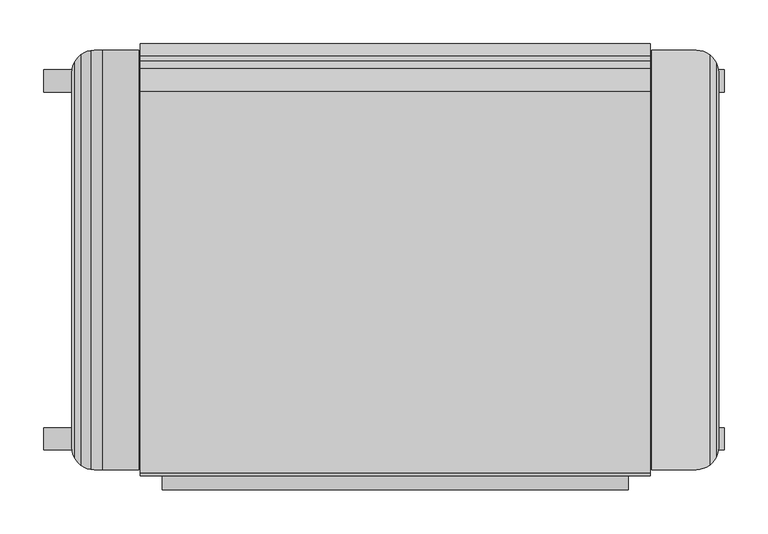
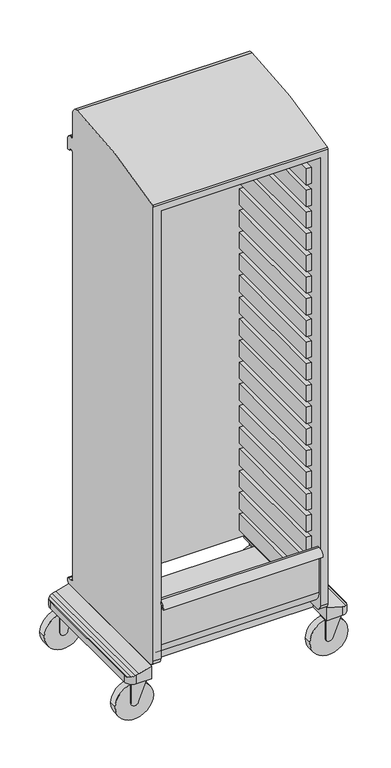
"""IFC4 building model written with IfcOpenShell, lengths in millimetres: furniture geometry."""

from ifc_helpers import new_model, si_unit, point, frame, frame_2d, origin, place, context, project, spatial, polyline, circle_curve, ellipse_curve, trimmed, segment, composite_curve, outline, extrude, source, transform, mapped, element, save
from ifc_brep_helpers import plane_surface, cylinder_surface, revolved_surface, advanced_brep


def furniture_57446897(model_context):
    return source(origin(), model_context, "Body", "SolidModel", [
        extrude(outline(polyline([(-249.2375, -195.2625), (-265.1125, -195.2625), (-265.1125, 192.0875), (-249.2375, 192.0875), (-249.2375, -195.2625)])), frame((0.0, 0.0, 428.625), z_axis=(0.0, 0.0, 1.0), x_axis=(1.0, 0.0, 0.0)), (0.0, 0.0, 1.0), 57.15),
        extrude(outline(polyline([(265.1125, -195.2625), (249.2375, -195.2625), (249.2375, 192.0875), (265.1125, 192.0875), (265.1125, -195.2625)])), frame((0.0, 0.0, 428.625), z_axis=(0.0, 0.0, 1.0), x_axis=(1.0, 0.0, 0.0)), (0.0, 0.0, 1.0), 57.15),
        extrude(outline(polyline([(-249.2375, -195.2625), (-265.1125, -195.2625), (-265.1125, 192.0875), (-249.2375, 192.0875), (-249.2375, -195.2625)])), frame((0.0, 0.0, 352.425), z_axis=(0.0, 0.0, 1.0), x_axis=(1.0, 0.0, 0.0)), (0.0, 0.0, 1.0), 57.15),
        extrude(outline(polyline([(265.1125, -195.2625), (249.2375, -195.2625), (249.2375, 192.0875), (265.1125, 192.0875), (265.1125, -195.2625)])), frame((0.0, 0.0, 352.425), z_axis=(0.0, 0.0, 1.0), x_axis=(1.0, 0.0, 0.0)), (0.0, 0.0, 1.0), 57.15),
        extrude(outline(polyline([(-249.2375, -195.2625), (-265.1125, -195.2625), (-265.1125, 192.0875), (-249.2375, 192.0875), (-249.2375, -195.2625)])), frame((0.0, 0.0, 276.225), z_axis=(0.0, 0.0, 1.0), x_axis=(1.0, 0.0, 0.0)), (0.0, 0.0, 1.0), 57.15),
        extrude(outline(polyline([(265.1125, -195.2625), (249.2375, -195.2625), (249.2375, 192.0875), (265.1125, 192.0875), (265.1125, -195.2625)])), frame((0.0, 0.0, 276.225), z_axis=(0.0, 0.0, 1.0), x_axis=(1.0, 0.0, 0.0)), (0.0, 0.0, 1.0), 57.15),
        extrude(outline(polyline([(-249.2375, -195.2625), (-265.1125, -195.2625), (-265.1125, 192.0875), (-249.2375, 192.0875), (-249.2375, -195.2625)])), frame((0.0, 0.0, 200.025), z_axis=(0.0, 0.0, 1.0), x_axis=(1.0, 0.0, 0.0)), (0.0, 0.0, 1.0), 57.15),
        extrude(outline(polyline([(265.1125, -195.2625), (249.2375, -195.2625), (249.2375, 192.0875), (265.1125, 192.0875), (265.1125, -195.2625)])), frame((0.0, 0.0, 200.025), z_axis=(0.0, 0.0, 1.0), x_axis=(1.0, 0.0, 0.0)), (0.0, 0.0, 1.0), 57.15),
        extrude(outline(polyline([(-249.2375, -195.2625), (-265.1125, -195.2625), (-265.1125, 192.0875), (-249.2375, 192.0875), (-249.2375, -195.2625)])), frame((0.0, 0.0, 733.425), z_axis=(0.0, 0.0, 1.0), x_axis=(1.0, 0.0, 0.0)), (0.0, 0.0, 1.0), 57.15),
        extrude(outline(polyline([(265.1125, -195.2625), (249.2375, -195.2625), (249.2375, 192.0875), (265.1125, 192.0875), (265.1125, -195.2625)])), frame((0.0, 0.0, 733.425), z_axis=(0.0, 0.0, 1.0), x_axis=(1.0, 0.0, 0.0)), (0.0, 0.0, 1.0), 57.15),
        extrude(outline(polyline([(-249.2375, -195.2625), (-265.1125, -195.2625), (-265.1125, 192.0875), (-249.2375, 192.0875), (-249.2375, -195.2625)])), frame((0.0, 0.0, 657.225), z_axis=(0.0, 0.0, 1.0), x_axis=(1.0, 0.0, 0.0)), (0.0, 0.0, 1.0), 57.15),
        extrude(outline(polyline([(265.1125, -195.2625), (249.2375, -195.2625), (249.2375, 192.0875), (265.1125, 192.0875), (265.1125, -195.2625)])), frame((0.0, 0.0, 657.225), z_axis=(0.0, 0.0, 1.0), x_axis=(1.0, 0.0, 0.0)), (0.0, 0.0, 1.0), 57.15),
        extrude(outline(polyline([(-249.2375, -195.2625), (-265.1125, -195.2625), (-265.1125, 192.0875), (-249.2375, 192.0875), (-249.2375, -195.2625)])), frame((0.0, 0.0, 581.025), z_axis=(0.0, 0.0, 1.0), x_axis=(1.0, 0.0, 0.0)), (0.0, 0.0, 1.0), 57.15),
        extrude(outline(polyline([(265.1125, -195.2625), (249.2375, -195.2625), (249.2375, 192.0875), (265.1125, 192.0875), (265.1125, -195.2625)])), frame((0.0, 0.0, 581.025), z_axis=(0.0, 0.0, 1.0), x_axis=(1.0, 0.0, 0.0)), (0.0, 0.0, 1.0), 57.15),
        extrude(outline(polyline([(-249.2375, -195.2625), (-265.1125, -195.2625), (-265.1125, 192.0875), (-249.2375, 192.0875), (-249.2375, -195.2625)])), frame((0.0, 0.0, 504.825), z_axis=(0.0, 0.0, 1.0), x_axis=(1.0, 0.0, 0.0)), (0.0, 0.0, 1.0), 57.15),
        extrude(outline(polyline([(265.1125, -195.2625), (249.2375, -195.2625), (249.2375, 192.0875), (265.1125, 192.0875), (265.1125, -195.2625)])), frame((0.0, 0.0, 504.825), z_axis=(0.0, 0.0, 1.0), x_axis=(1.0, 0.0, 0.0)), (0.0, 0.0, 1.0), 57.15),
        extrude(outline(polyline([(-249.2375, -195.2625), (-265.1125, -195.2625), (-265.1125, 192.0875), (-249.2375, 192.0875), (-249.2375, -195.2625)])), frame((0.0, 0.0, 1038.225), z_axis=(0.0, 0.0, 1.0), x_axis=(1.0, 0.0, 0.0)), (0.0, 0.0, 1.0), 57.15),
        extrude(outline(polyline([(265.1125, -195.2625), (249.2375, -195.2625), (249.2375, 192.0875), (265.1125, 192.0875), (265.1125, -195.2625)])), frame((0.0, 0.0, 1038.225), z_axis=(0.0, 0.0, 1.0), x_axis=(1.0, 0.0, 0.0)), (0.0, 0.0, 1.0), 57.15),
        extrude(outline(polyline([(-249.2375, -195.2625), (-265.1125, -195.2625), (-265.1125, 192.0875), (-249.2375, 192.0875), (-249.2375, -195.2625)])), frame((0.0, 0.0, 962.025), z_axis=(0.0, 0.0, 1.0), x_axis=(1.0, 0.0, 0.0)), (0.0, 0.0, 1.0), 57.15),
        extrude(outline(polyline([(265.1125, -195.2625), (249.2375, -195.2625), (249.2375, 192.0875), (265.1125, 192.0875), (265.1125, -195.2625)])), frame((0.0, 0.0, 962.025), z_axis=(0.0, 0.0, 1.0), x_axis=(1.0, 0.0, 0.0)), (0.0, 0.0, 1.0), 57.15),
        extrude(outline(polyline([(-249.2375, -195.2625), (-265.1125, -195.2625), (-265.1125, 192.0875), (-249.2375, 192.0875), (-249.2375, -195.2625)])), frame((0.0, 0.0, 885.825), z_axis=(0.0, 0.0, 1.0), x_axis=(1.0, 0.0, 0.0)), (0.0, 0.0, 1.0), 57.15),
        extrude(outline(polyline([(265.1125, -195.2625), (249.2375, -195.2625), (249.2375, 192.0875), (265.1125, 192.0875), (265.1125, -195.2625)])), frame((0.0, 0.0, 885.825), z_axis=(0.0, 0.0, 1.0), x_axis=(1.0, 0.0, 0.0)), (0.0, 0.0, 1.0), 57.15),
        extrude(outline(polyline([(-249.2375, -195.2625), (-265.1125, -195.2625), (-265.1125, 192.0875), (-249.2375, 192.0875), (-249.2375, -195.2625)])), frame((0.0, 0.0, 809.625), z_axis=(0.0, 0.0, 1.0), x_axis=(1.0, 0.0, 0.0)), (0.0, 0.0, 1.0), 57.15),
        extrude(outline(polyline([(265.1125, -195.2625), (249.2375, -195.2625), (249.2375, 192.0875), (265.1125, 192.0875), (265.1125, -195.2625)])), frame((0.0, 0.0, 809.625), z_axis=(0.0, 0.0, 1.0), x_axis=(1.0, 0.0, 0.0)), (0.0, 0.0, 1.0), 57.15),
        extrude(outline(polyline([(-249.2375, -195.2625), (-265.1125, -195.2625), (-265.1125, 192.0875), (-249.2375, 192.0875), (-249.2375, -195.2625)])), frame((0.0, 0.0, 1343.025), z_axis=(0.0, 0.0, 1.0), x_axis=(1.0, 0.0, 0.0)), (0.0, 0.0, 1.0), 57.15),
        extrude(outline(polyline([(265.1125, -195.2625), (249.2375, -195.2625), (249.2375, 192.0875), (265.1125, 192.0875), (265.1125, -195.2625)])), frame((0.0, 0.0, 1343.025), z_axis=(0.0, 0.0, 1.0), x_axis=(1.0, 0.0, 0.0)), (0.0, 0.0, 1.0), 57.15),
        extrude(outline(polyline([(-249.2375, -195.2625), (-265.1125, -195.2625), (-265.1125, 192.0875), (-249.2375, 192.0875), (-249.2375, -195.2625)])), frame((0.0, 0.0, 1266.825), z_axis=(0.0, 0.0, 1.0), x_axis=(1.0, 0.0, 0.0)), (0.0, 0.0, 1.0), 57.15),
        extrude(outline(polyline([(265.1125, -195.2625), (249.2375, -195.2625), (249.2375, 192.0875), (265.1125, 192.0875), (265.1125, -195.2625)])), frame((0.0, 0.0, 1266.825), z_axis=(0.0, 0.0, 1.0), x_axis=(1.0, 0.0, 0.0)), (0.0, 0.0, 1.0), 57.15),
        extrude(outline(polyline([(-249.2375, -195.2625), (-265.1125, -195.2625), (-265.1125, 192.0875), (-249.2375, 192.0875), (-249.2375, -195.2625)])), frame((0.0, 0.0, 1190.625), z_axis=(0.0, 0.0, 1.0), x_axis=(1.0, 0.0, 0.0)), (0.0, 0.0, 1.0), 57.15),
        extrude(outline(polyline([(265.1125, -195.2625), (249.2375, -195.2625), (249.2375, 192.0875), (265.1125, 192.0875), (265.1125, -195.2625)])), frame((0.0, 0.0, 1190.625), z_axis=(0.0, 0.0, 1.0), x_axis=(1.0, 0.0, 0.0)), (0.0, 0.0, 1.0), 57.15),
        extrude(outline(polyline([(-249.2375, -195.2625), (-265.1125, -195.2625), (-265.1125, 192.0875), (-249.2375, 192.0875), (-249.2375, -195.2625)])), frame((0.0, 0.0, 1114.425), z_axis=(0.0, 0.0, 1.0), x_axis=(1.0, 0.0, 0.0)), (0.0, 0.0, 1.0), 57.15),
        extrude(outline(polyline([(265.1125, -195.2625), (249.2375, -195.2625), (249.2375, 192.0875), (265.1125, 192.0875), (265.1125, -195.2625)])), frame((0.0, 0.0, 1114.425), z_axis=(0.0, 0.0, 1.0), x_axis=(1.0, 0.0, 0.0)), (0.0, 0.0, 1.0), 57.15),
        extrude(outline(polyline([(-249.2375, -195.2625), (-265.1125, -195.2625), (-265.1125, 192.0875), (-249.2375, 192.0875), (-249.2375, -195.2625)])), frame((0.0, 0.0, 1647.825), z_axis=(0.0, 0.0, 1.0), x_axis=(1.0, 0.0, 0.0)), (0.0, 0.0, 1.0), 57.15),
        extrude(outline(polyline([(265.1125, -195.2625), (249.2375, -195.2625), (249.2375, 192.0875), (265.1125, 192.0875), (265.1125, -195.2625)])), frame((0.0, 0.0, 1647.825), z_axis=(0.0, 0.0, 1.0), x_axis=(1.0, 0.0, 0.0)), (0.0, 0.0, 1.0), 57.15),
        extrude(outline(polyline([(-249.2375, -195.2625), (-265.1125, -195.2625), (-265.1125, 192.0875), (-249.2375, 192.0875), (-249.2375, -195.2625)])), frame((0.0, 0.0, 1571.625), z_axis=(0.0, 0.0, 1.0), x_axis=(1.0, 0.0, 0.0)), (0.0, 0.0, 1.0), 57.15),
        extrude(outline(polyline([(265.1125, -195.2625), (249.2375, -195.2625), (249.2375, 192.0875), (265.1125, 192.0875), (265.1125, -195.2625)])), frame((0.0, 0.0, 1571.625), z_axis=(0.0, 0.0, 1.0), x_axis=(1.0, 0.0, 0.0)), (0.0, 0.0, 1.0), 57.15),
        extrude(outline(polyline([(-249.2375, -195.2625), (-265.1125, -195.2625), (-265.1125, 192.0875), (-249.2375, 192.0875), (-249.2375, -195.2625)])), frame((0.0, 0.0, 1495.425), z_axis=(0.0, 0.0, 1.0), x_axis=(1.0, 0.0, 0.0)), (0.0, 0.0, 1.0), 57.15),
        extrude(outline(polyline([(265.1125, -195.2625), (249.2375, -195.2625), (249.2375, 192.0875), (265.1125, 192.0875), (265.1125, -195.2625)])), frame((0.0, 0.0, 1495.425), z_axis=(0.0, 0.0, 1.0), x_axis=(1.0, 0.0, 0.0)), (0.0, 0.0, 1.0), 57.15),
        extrude(outline(polyline([(-249.2375, -195.2625), (-265.1125, -195.2625), (-265.1125, 192.0875), (-249.2375, 192.0875), (-249.2375, -195.2625)])), frame((0.0, 0.0, 1419.225), z_axis=(0.0, 0.0, 1.0), x_axis=(1.0, 0.0, 0.0)), (0.0, 0.0, 1.0), 57.15),
        extrude(outline(polyline([(265.1125, -195.2625), (249.2375, -195.2625), (249.2375, 192.0875), (265.1125, 192.0875), (265.1125, -195.2625)])), frame((0.0, 0.0, 1419.225), z_axis=(0.0, 0.0, 1.0), x_axis=(1.0, 0.0, 0.0)), (0.0, 0.0, 1.0), 57.15),
        extrude(outline(composite_curve([segment(polyline([(129.4130068, 298.3484147), (51.6890037, 298.3484147)]), True, "CONTINUOUS"), segment(trimmed(circle_curve(frame_2d((51.6890037, 311.0485116)), 12.7000969), [point((51.6890037, 298.3484147))], [point((51.6890037, 323.7486085))], False, "CARTESIAN"), True, "CONTINUOUS"), segment(polyline([(51.6890037, 323.7486085), (129.4130068, 355.4984147), (129.4130068, 298.3484147)]), True, "CONTINUOUS")], self_intersect=False)), frame((0.0, -219.8341577, 0.0), z_axis=(0.0, 1.0, 0.0), x_axis=(0.0, 0.0, 1.0)), (0.0, 0.0, 1.0), 31.7499879),
        extrude(outline(composite_curve([segment(trimmed(circle_curve(frame_2d((53.2110825, 311.0484147)), 63.5), [point((53.2110825, 247.5484147))], [point((53.2110825, 374.5484147))], False, "CARTESIAN"), True, "CONTINUOUS"), segment(trimmed(circle_curve(frame_2d((53.2110825, 311.0484147)), 63.5), [point((53.2110825, 374.5484147))], [point((53.2110825, 247.5484147))], False, "CARTESIAN"), True, "CONTINUOUS")], self_intersect=False)), frame((0.0, -216.6591698, 0.0), z_axis=(0.0, 1.0, 0.0), x_axis=(0.0, 0.0, 1.0)), (0.0, 0.0, 1.0), 25.3999758),
        extrude(outline(composite_curve([segment(polyline([(129.4130068, 298.3484147), (51.6890037, 298.3484147)]), True, "CONTINUOUS"), segment(trimmed(circle_curve(frame_2d((51.6890037, 311.0485116)), 12.7000969), [point((51.6890037, 298.3484147))], [point((51.6890037, 323.7486085))], False, "CARTESIAN"), True, "CONTINUOUS"), segment(polyline([(51.6890037, 323.7486085), (129.4130068, 355.4984147), (129.4130068, 298.3484147)]), True, "CONTINUOUS")], self_intersect=False)), frame((0.0, 188.2140242, 0.0), z_axis=(0.0, 1.0, 0.0), x_axis=(0.0, 0.0, 1.0)), (0.0, 0.0, 1.0), 31.7499879),
        extrude(outline(composite_curve([segment(trimmed(circle_curve(frame_2d((53.2110825, 311.0484147)), 63.5), [point((53.2110825, 247.5484147))], [point((53.2110825, 374.5484147))], False, "CARTESIAN"), True, "CONTINUOUS"), segment(trimmed(circle_curve(frame_2d((53.2110825, 311.0484147)), 63.5), [point((53.2110825, 374.5484147))], [point((53.2110825, 247.5484147))], False, "CARTESIAN"), True, "CONTINUOUS")], self_intersect=False)), frame((0.0, 191.3890121, 0.0), z_axis=(0.0, 1.0, 0.0), x_axis=(0.0, 0.0, 1.0)), (0.0, 0.0, 1.0), 25.3999758),
        extrude(outline(composite_curve([segment(polyline([(129.4130068, -349.2960654), (51.6890037, -349.2960654)]), True, "CONTINUOUS"), segment(trimmed(circle_curve(frame_2d((51.6890037, -336.5959685)), 12.7000969), [point((51.6890037, -349.2960654))], [point((51.6890037, -323.8958716))], False, "CARTESIAN"), True, "CONTINUOUS"), segment(polyline([(51.6890037, -323.8958716), (129.4130068, -292.1460654), (129.4130068, -349.2960654)]), True, "CONTINUOUS")], self_intersect=False)), frame((0.0, 188.2140242, 0.0), z_axis=(0.0, 1.0, 0.0), x_axis=(0.0, 0.0, 1.0)), (0.0, 0.0, 1.0), 31.7499879),
        extrude(outline(composite_curve([segment(trimmed(circle_curve(frame_2d((53.2110825, -336.5960654)), 63.5), [point((53.2110825, -400.0960654))], [point((53.2110825, -273.0960654))], False, "CARTESIAN"), True, "CONTINUOUS"), segment(trimmed(circle_curve(frame_2d((53.2110825, -336.5960654)), 63.5), [point((53.2110825, -273.0960654))], [point((53.2110825, -400.0960654))], False, "CARTESIAN"), True, "CONTINUOUS")], self_intersect=False)), frame((0.0, 191.3890121, 0.0), z_axis=(0.0, 1.0, 0.0), x_axis=(0.0, 0.0, 1.0)), (0.0, 0.0, 1.0), 25.3999758),
        extrude(outline(composite_curve([segment(polyline([(129.4130068, -349.2960654), (51.6890037, -349.2960654)]), True, "CONTINUOUS"), segment(trimmed(circle_curve(frame_2d((51.6890037, -336.5959685)), 12.7000969), [point((51.6890037, -349.2960654))], [point((51.6890037, -323.8958716))], False, "CARTESIAN"), True, "CONTINUOUS"), segment(polyline([(51.6890037, -323.8958716), (129.4130068, -292.1460654), (129.4130068, -349.2960654)]), True, "CONTINUOUS")], self_intersect=False)), frame((0.0, -219.8341577, 0.0), z_axis=(0.0, 1.0, 0.0), x_axis=(0.0, 0.0, 1.0)), (0.0, 0.0, 1.0), 31.7499879),
        extrude(outline(composite_curve([segment(trimmed(circle_curve(frame_2d((53.2110825, -336.5960654)), 63.5), [point((53.2110825, -400.0960654))], [point((53.2110825, -273.0960654))], False, "CARTESIAN"), True, "CONTINUOUS"), segment(trimmed(circle_curve(frame_2d((53.2110825, -336.5960654)), 63.5), [point((53.2110825, -273.0960654))], [point((53.2110825, -400.0960654))], False, "CARTESIAN"), True, "CONTINUOUS")], self_intersect=False)), frame((0.0, -216.6591698, 0.0), z_axis=(0.0, 1.0, 0.0), x_axis=(0.0, 0.0, 1.0)), (0.0, 0.0, 1.0), 25.3999758),
        extrude(outline(polyline([(291.9984, 159.5120213), (291.9984, -159.5119651), (-291.9984, -159.5119651), (-291.9984, 159.5120213), (291.9984, 159.5120213)])), frame((0.0, 0.0, 129.4130068), z_axis=(0.0, 0.0, 1.0), x_axis=(1.0, 0.0, 0.0)), (0.0, 0.0, 1.0), 23.1139961),
        advanced_brep(
        [(-291.9984, 239.014, 129.4130068), (-291.9984, -239.014, 129.4130068), (-342.7984, -239.014, 129.4130068), (-368.1984, -213.614, 129.4130068), (-368.1984, 213.614, 129.4130068), (-342.7984, 239.014, 129.4130068), (-291.9984, 239.014, 173.9418579), (-291.9984, -239.014, 173.9418579), (-342.7984, 239.014, 158.9272187), (-333.1464698, 239.014, 161.6447785), (-368.1984, 213.614, 152.5270029), (-365.5302489, 224.9463892, 152.5270029), (-357.9318755, 234.0134588, 154.6663345), (-346.5601859, 238.7338919, 157.868065), (-368.1984, -213.614, 152.5270029), (-342.7984, -239.014, 158.9272187), (-346.5601859, -238.7338919, 157.868065), (-357.9318755, -234.0134588, 154.6663345), (-365.5302489, -224.9463892, 152.5270029), (-333.1464698, -239.014, 161.6447785)],
        [
            (0, 1),
            (1, 2),
            (2, 3, circle_curve(frame((-342.7984, -213.614, 129.4130068), z_axis=(0.0, 0.0, -1.0), x_axis=(1.0, 0.0, 0.0)), 25.4)),
            (3, 4),
            (4, 5, circle_curve(frame((-342.7984, 213.614, 129.4130068), z_axis=(0.0, 0.0, -1.0), x_axis=(1.0, 0.0, 0.0)), 25.4)),
            (5, 0),
            (0, 6),
            (6, 7),
            (7, 1),
            (5, 8),
            (8, 9),
            (9, 6),
            (4, 10),
            (10, 11, circle_curve(frame((-342.7984, 213.614, 152.5270029), z_axis=(0.0, 0.0, -1.0), x_axis=(1.0, 0.0, 0.0)), 25.4)),
            (11, 12, ellipse_curve(frame((-342.7984, 213.614, 158.9271837), z_axis=(0.27101429712937414, 0.0, -0.9625753221184675), x_axis=(0.9625753221184675, 0.0, 0.27101429712937347)), 26.3875454, 25.4)),
            (12, 13, ellipse_curve(frame((-342.7984, 213.614, 158.9272061), z_axis=(0.2710156208265026, 0.0, -0.9625749494288875), x_axis=(0.9625749494288875, 0.0, 0.27101562082650255)), 26.3875556, 25.4)),
            (13, 8, ellipse_curve(frame((-342.7984, 213.614, 158.9272187), z_axis=(0.2710186060115298, 0.0, -0.9625741089368482), x_axis=(0.9625741089368484, 0.0, 0.2710186060115292)), 26.3875786, 25.4)),
            (3, 14),
            (14, 10),
            (2, 15),
            (15, 16, ellipse_curve(frame((-342.7984, -213.614, 158.9272187), z_axis=(0.2710186060115298, 0.0, -0.9625741089368482), x_axis=(0.9625741089368484, 0.0, 0.2710186060115292)), 26.3875786, 25.4)),
            (16, 17, ellipse_curve(frame((-342.7984, -213.614, 158.9272061), z_axis=(0.2710156208265026, 0.0, -0.9625749494288875), x_axis=(0.9625749494288875, 0.0, 0.27101562082650255)), 26.3875556, 25.4)),
            (17, 18, ellipse_curve(frame((-342.7984, -213.614, 158.9271837), z_axis=(0.27101429712937414, 0.0, -0.9625753221184675), x_axis=(0.9625753221184675, 0.0, 0.27101429712937347)), 26.3875454, 25.4)),
            (18, 14, circle_curve(frame((-342.7984, -213.614, 152.5270029), z_axis=(0.0, 0.0, -1.0), x_axis=(1.0, 0.0, 0.0)), 25.4)),
            (7, 19),
            (19, 15),
            (9, 19),
            (18, 11),
            (17, 12),
            (16, 13),
        ],
        [
            plane_surface(frame((342.7984, -239.014, 129.4130068), z_axis=(0.0, 0.0, -1.0), x_axis=(-1.0, 0.0, 0.0))),
            plane_surface(frame((-291.9984, -239.014, 174.625), z_axis=(1.0, 0.0, 0.0), x_axis=(0.0, 0.0, -1.0))),
            plane_surface(frame((-291.9984, 239.014, 174.625), z_axis=(0.0, 1.0, 0.0), x_axis=(0.0, 0.0, -1.0))),
            cylinder_surface(frame((-342.7984, 213.614, -8.7020367), z_axis=(0.0, 0.0, 1.0), x_axis=(1.0, 0.0, 0.0)), 25.4),
            plane_surface(frame((-368.1984, 213.614, 174.625), z_axis=(-1.0, 0.0, 0.0), x_axis=(0.0, 0.0, -1.0))),
            cylinder_surface(frame((-342.7984, -213.614, -8.7020367), z_axis=(0.0, 0.0, 1.0), x_axis=(1.0, 0.0, 0.0)), 25.4),
            plane_surface(frame((-342.7984, -239.014, 174.625), z_axis=(0.0, -1.0, 0.0), x_axis=(0.0, 0.0, -1.0))),
            plane_surface(frame((-333.1464698, -239.014, 161.6447785), z_axis=(-0.28633640104099495, 0.0, 0.958129148621881), x_axis=(0.0, 1.0, 0.0))),
            plane_surface(frame((-368.1984, -239.014, 152.5270029), z_axis=(0.0, 0.0, 1.0), x_axis=(0.0, 1.0, 0.0))),
            plane_surface(frame((-365.5302489, -239.014, 152.5270029), z_axis=(-0.27101429712937414, 0.0, 0.9625753221184675), x_axis=(0.0, 1.0, 0.0))),
            plane_surface(frame((-357.9318755, -239.014, 154.6663345), z_axis=(-0.2710156208265026, 0.0, 0.9625749494288875), x_axis=(0.0, 1.0, 0.0))),
            plane_surface(frame((-346.5601859, -239.014, 157.868065), z_axis=(-0.2710186060115298, 0.0, 0.9625741089368482), x_axis=(0.0, 1.0, 0.0))),
        ],
        [
            (0, [[1, 2, 3, 4, 5, 6]]),
            (1, [[-1, 7, 8, 9]]),
            (2, [[-6, 10, 11, 12, -7]]),
            (3, [[-5, 13, 14, 15, 16, 17, -10]]),
            (4, [[-4, 18, 19, -13]]),
            (5, [[-3, 20, 21, 22, 23, 24, -18]]),
            (6, [[-2, -9, 25, 26, -20]]),
            (7, [[27, -25, -8, -12]]),
            (8, [[28, -14, -19, -24]]),
            (9, [[-28, -23, 29, -15]]),
            (10, [[-29, -22, 30, -16]]),
            (11, [[-27, -11, -17, -30, -21, -26]]),
        ],
    ),
        advanced_brep(
        [(291.9984, -239.014, 129.4130068), (291.9984, 239.014, 129.4130068), (342.7984, 239.014, 129.4130068), (368.1984, 213.614, 129.4130068), (368.1984, -213.614, 129.4130068), (342.7984, -239.014, 129.4130068), (342.7984, -239.014, 159.0938873), (291.9984, -239.014, 173.956172), (368.1984, -213.614, 152.5270029), (365.5300698, -224.9467484, 152.5270029), (357.9319871, -234.013376, 154.6663345), (368.1984, 213.614, 152.5270029), (342.7984, 239.014, 159.0938873), (357.9319871, 234.013376, 154.6663345), (365.5300698, 224.9467484, 152.5270029), (291.9984, 239.014, 173.956172)],
        [
            (0, 1),
            (1, 2),
            (2, 3, circle_curve(frame((342.7984, 213.614, 129.4130068), z_axis=(0.0, 0.0, -1.0), x_axis=(1.0, 0.0, 0.0)), 25.4)),
            (3, 4),
            (4, 5, circle_curve(frame((342.7984, -213.614, 129.4130068), z_axis=(0.0, 0.0, -1.0), x_axis=(1.0, 0.0, 0.0)), 25.4)),
            (5, 0),
            (5, 6),
            (6, 7),
            (7, 0),
            (4, 8),
            (8, 9, circle_curve(frame((342.7984, -213.614, 152.5270029), z_axis=(0.0, 0.0, -1.0), x_axis=(1.0, 0.0, 0.0)), 25.4)),
            (9, 10, ellipse_curve(frame((342.7984, -213.614, 158.9273781), z_axis=(-0.27102390375462865, 0.0, -0.9625726173092615), x_axis=(-0.9625726173092615, 0.0, 0.2710239037546281)), 26.3876195, 25.4)),
            (10, 6, ellipse_curve(frame((342.7984, -213.614, 159.0938873), z_axis=(-0.2807941989811356, 0.0, -0.9597680020809938), x_axis=(-0.9597680020809939, 0.0, 0.2807941989811355)), 26.4647289, 25.4)),
            (3, 11),
            (11, 8),
            (2, 12),
            (12, 13, ellipse_curve(frame((342.7984, 213.614, 159.0938873), z_axis=(-0.2807941989811356, 0.0, -0.9597680020809938), x_axis=(-0.9597680020809939, 0.0, 0.2807941989811355)), 26.4647289, 25.4)),
            (13, 14, ellipse_curve(frame((342.7984, 213.614, 158.9273781), z_axis=(-0.27102390375462865, 0.0, -0.9625726173092615), x_axis=(-0.9625726173092615, 0.0, 0.2710239037546281)), 26.3876195, 25.4)),
            (14, 11, circle_curve(frame((342.7984, 213.614, 152.5270029), z_axis=(0.0, 0.0, -1.0), x_axis=(1.0, 0.0, 0.0)), 25.4)),
            (1, 15),
            (15, 12),
            (7, 15),
            (10, 13),
            (9, 14),
        ],
        [
            plane_surface(frame((342.7984, -239.014, 129.4130068), z_axis=(0.0, 0.0, -1.0), x_axis=(-1.0, 0.0, 0.0))),
            plane_surface(frame((291.9984, -239.014, 174.625), z_axis=(0.0, -1.0, 0.0), x_axis=(0.0, 0.0, -1.0))),
            cylinder_surface(frame((342.7984, -213.614, 129.4130068), z_axis=(0.0, 0.0, 1.0), x_axis=(1.0, 0.0, 0.0)), 25.4),
            plane_surface(frame((368.1984, -213.614, 174.625), z_axis=(1.0, 0.0, 0.0), x_axis=(0.0, 0.0, -1.0))),
            cylinder_surface(frame((342.7984, 213.614, 129.4130068), z_axis=(0.0, 0.0, 1.0), x_axis=(1.0, 0.0, 0.0)), 25.4),
            plane_surface(frame((342.7984, 239.014, 174.625), z_axis=(0.0, 1.0, 0.0), x_axis=(0.0, 0.0, -1.0))),
            plane_surface(frame((291.9984, 239.014, 174.625), z_axis=(-1.0, 0.0, 0.0), x_axis=(0.0, 0.0, -1.0))),
            plane_surface(frame((289.712314, -239.014, 174.625), z_axis=(0.2807941989811356, 0.0, 0.9597680020809938), x_axis=(0.0, 1.0, 0.0))),
            plane_surface(frame((357.9319871, -239.014, 154.6663345), z_axis=(0.27102390375462865, 0.0, 0.9625726173092615), x_axis=(0.0, 1.0, 0.0))),
            plane_surface(frame((365.5300698, -239.014, 152.5270029), z_axis=(0.0, 0.0, 1.0), x_axis=(0.0, 1.0, 0.0))),
        ],
        [
            (0, [[1, 2, 3, 4, 5, 6]]),
            (1, [[-6, 7, 8, 9]]),
            (2, [[-5, 10, 11, 12, 13, -7]]),
            (3, [[-4, 14, 15, -10]]),
            (4, [[-3, 16, 17, 18, 19, -14]]),
            (5, [[-2, 20, 21, -16]]),
            (6, [[-1, -9, 22, -20]]),
            (7, [[23, -17, -21, -22, -8, -13]]),
            (8, [[-23, -12, 24, -18]]),
            (9, [[-24, -11, -15, -19]]),
        ],
    ),
        advanced_brep(
        [(290.5125, -246.0625, 193.675), (290.5125, -227.0125, 174.625), (290.5125, 239.7125, 174.625), (290.5125, 246.0625, 180.975), (290.5125, 246.0625, 187.325), (290.5125, 239.7125, 193.675), (290.5125, 228.6, 193.675), (290.5125, 217.4875, 204.7875), (290.5125, 217.4875, 1696.6032764), (290.5125, 236.7359375, 1696.6032764), (290.5125, 246.0625, 1696.6032764), (290.5125, 246.0625, 1735.0717496), (290.5125, 232.4695312, 1748.6647183), (290.5125, 227.1117187, 1748.6647183), (290.5125, 217.4875, 1758.2889371), (290.5125, 217.4875, 1838.325), (290.5125, 192.0875, 1863.725), (290.5125, -242.8127937, 1794.873234), (290.5125, -246.0625, 1789.6186651), (265.1125, -246.0625, 193.675), (265.1125, -227.0125, 174.625), (-290.5125, -246.0625, 193.675), (-290.5125, -227.0125, 174.625), (-265.1125, -227.0125, 174.625), (-265.1125, -246.0625, 193.675), (265.1125, 192.0875, 174.625), (-265.1125, 192.0875, 174.625), (-290.5125, 239.7125, 174.625), (-290.5125, 246.0625, 180.975), (-290.5125, 246.0625, 187.325), (-290.5125, 239.7125, 193.675), (-290.5125, 228.6, 193.675), (-290.5125, 217.4875, 204.7875), (-290.5125, 217.4875, 1696.6032764), (-290.5125, -246.0625, 1789.6186651), (-265.1125, -246.0625, 1768.475), (265.1125, -246.0625, 1768.475), (-290.5125, -242.8127937, 1794.873234), (-290.5125, 192.0875, 1863.725), (-290.5125, 217.4875, 1838.325), (-290.5125, 217.4875, 1758.2889371), (-290.5125, 227.1117187, 1748.6647183), (-290.5125, 232.4695312, 1748.6647183), (-290.5125, 246.0625, 1735.0717496), (-290.5125, 246.0625, 1696.6032764), (-290.5125, 236.7359375, 1696.6032764), (265.1125, 192.0875, 1832.5533426), (-265.1125, 192.0875, 1832.5533426)],
        [
            (0, 1, circle_curve(frame((290.5125, -227.0125, 193.675), z_axis=(1.0, 0.0, 0.0), x_axis=(0.0, 1.0, 0.0)), 19.05)),
            (1, 2),
            (2, 3, circle_curve(frame((290.5125, 239.7125, 180.975), z_axis=(1.0, 0.0, 0.0), x_axis=(0.0, 1.0, 0.0)), 6.35)),
            (3, 4),
            (4, 5, circle_curve(frame((290.5125, 239.7125, 187.325), z_axis=(1.0, 0.0, 0.0), x_axis=(0.0, 1.0, 0.0)), 6.35)),
            (5, 6),
            (6, 7, circle_curve(frame((290.5125, 228.6, 204.7875), z_axis=(-1.0, 0.0, 0.0), x_axis=(0.0, 1.0, 0.0)), 11.1125)),
            (7, 8),
            (8, 9, circle_curve(frame((290.5125, 227.1117187, 1696.6032764), z_axis=(-1.0, 0.0, 0.0), x_axis=(0.0, 1.0, 0.0)), 9.6242188)),
            (9, 10),
            (10, 11),
            (11, 12, circle_curve(frame((290.5125, 232.4695312, 1735.0717496), z_axis=(1.0, 0.0, 0.0), x_axis=(0.0, 1.0, 0.0)), 13.5929687)),
            (12, 13),
            (13, 14, circle_curve(frame((290.5125, 227.1117187, 1758.2889371), z_axis=(-1.0, 0.0, 0.0), x_axis=(0.0, 1.0, 0.0)), 9.6242187)),
            (14, 15),
            (15, 16, circle_curve(frame((290.5125, 192.0875, 1838.325), z_axis=(1.0, 0.0, 0.0), x_axis=(0.0, 1.0, 0.0)), 25.4)),
            (16, 17, circle_curve(frame((290.5125, 219.0245932, 285.6338105), z_axis=(1.0, 0.0, 0.0), x_axis=(0.0, 1.0, 0.0)), 1578.321073)),
            (17, 18, circle_curve(frame((290.5125, -240.1894945, 1789.6186651), z_axis=(1.0, 0.0, 0.0), x_axis=(0.0, 1.0, 0.0)), 5.8730055)),
            (18, 0),
            (0, 19),
            (19, 20, circle_curve(frame((265.1125, -227.0125, 193.675), z_axis=(1.0, 0.0, 0.0), x_axis=(0.0, 1.0, 0.0)), 19.05)),
            (20, 1),
            (21, 22, circle_curve(frame((-290.5125, -227.0125, 193.675), z_axis=(1.0, 0.0, 0.0), x_axis=(0.0, 1.0, 0.0)), 19.05)),
            (22, 23),
            (23, 24, circle_curve(frame((-265.1125, -227.0125, 193.675), z_axis=(-1.0, 0.0, 0.0), x_axis=(0.0, 1.0, 0.0)), 19.05)),
            (24, 21),
            (20, 25),
            (25, 26),
            (26, 23),
            (22, 27),
            (27, 2),
            (27, 28, circle_curve(frame((-290.5125, 239.7125, 180.975), z_axis=(1.0, 0.0, 0.0), x_axis=(0.0, 1.0, 0.0)), 6.35)),
            (28, 3),
            (28, 29),
            (29, 4),
            (29, 30, circle_curve(frame((-290.5125, 239.7125, 187.325), z_axis=(1.0, 0.0, 0.0), x_axis=(0.0, 1.0, 0.0)), 6.35)),
            (30, 5),
            (30, 31),
            (31, 6),
            (31, 32, circle_curve(frame((-290.5125, 228.6, 204.7875), z_axis=(-1.0, 0.0, 0.0), x_axis=(0.0, 1.0, 0.0)), 11.1125)),
            (32, 7),
            (32, 33),
            (33, 8),
            (18, 34),
            (34, 21),
            (24, 35),
            (35, 36),
            (36, 19),
            (34, 37, circle_curve(frame((-290.5125, -240.1894945, 1789.6186651), z_axis=(-1.0, 0.0, 0.0), x_axis=(0.0, 1.0, 0.0)), 5.8730055)),
            (37, 38, circle_curve(frame((-290.5125, 219.0245932, 285.6338105), z_axis=(-1.0, 0.0, 0.0), x_axis=(0.0, 1.0, 0.0)), 1578.321073)),
            (38, 39, circle_curve(frame((-290.5125, 192.0875, 1838.325), z_axis=(-1.0, 0.0, 0.0), x_axis=(0.0, 1.0, 0.0)), 25.4)),
            (39, 40),
            (40, 41, circle_curve(frame((-290.5125, 227.1117187, 1758.2889371), z_axis=(1.0, 0.0, 0.0), x_axis=(0.0, 1.0, 0.0)), 9.6242188)),
            (41, 42),
            (42, 43, circle_curve(frame((-290.5125, 232.4695312, 1735.0717496), z_axis=(-1.0, 0.0, 0.0), x_axis=(0.0, 1.0, 0.0)), 13.5929688)),
            (43, 44),
            (44, 45),
            (45, 33, circle_curve(frame((-290.5125, 227.1117187, 1696.6032764), z_axis=(1.0, 0.0, 0.0), x_axis=(0.0, 1.0, 0.0)), 9.6242188)),
            (36, 46),
            (46, 25),
            (26, 47),
            (47, 35),
            (46, 47),
            (45, 9),
            (44, 10),
            (43, 11),
            (42, 12),
            (41, 13),
            (40, 14),
            (39, 15),
            (38, 16),
            (37, 17),
        ],
        [
            plane_surface(frame((290.5125, -207.9625, 193.675), z_axis=(1.0, 0.0, 0.0), x_axis=(0.0, 0.0, 1.0))),
            cylinder_surface(frame((-290.5125, -227.0125, 193.675), z_axis=(1.0, 0.0, 0.0), x_axis=(0.0, 1.0, 0.0)), 19.05),
            plane_surface(frame((290.5125, -227.0125, 174.625), z_axis=(0.0, 0.0, -1.0), x_axis=(-1.0, 0.0, 0.0))),
            cylinder_surface(frame((-290.5125, 239.7125, 180.975), z_axis=(1.0, 0.0, 0.0), x_axis=(0.0, 1.0, 0.0)), 6.35),
            plane_surface(frame((290.5125, 246.0625, 180.975), z_axis=(0.0, 1.0, 0.0), x_axis=(-1.0, 0.0, 0.0))),
            cylinder_surface(frame((-290.5125, 239.7125, 187.325), z_axis=(1.0, 0.0, 0.0), x_axis=(0.0, 1.0, 0.0)), 6.35),
            plane_surface(frame((290.5125, 239.7125, 193.675), z_axis=(0.0, 0.0, 1.0), x_axis=(-1.0, 0.0, 0.0))),
            revolved_surface(polyline([(-290.5125, 239.7125, 204.7875), (290.5125, 239.7125, 204.7875)]), (-290.5125, 228.6, 204.7875), (-1.0, 0.0, 0.0)),
            plane_surface(frame((290.5125, 217.4875, 204.7875), z_axis=(0.0, 1.0, 0.0), x_axis=(-1.0, 0.0, 0.0))),
            plane_surface(frame((290.5125, -246.0625, 1789.6186651), z_axis=(0.0, -1.0, -1.1655566115944127e-12), x_axis=(-1.0, 0.0, 0.0))),
            plane_surface(frame((-290.5125, -207.9625, 193.675), z_axis=(-1.0, 0.0, 0.0), x_axis=(0.0, 0.0, -1.0))),
            plane_surface(frame((265.1125, 192.0875, 174.625), z_axis=(-1.0, 0.0, 0.0), x_axis=(0.0, 0.0, 1.0))),
            plane_surface(frame((-265.1125, 192.0875, 174.625), z_axis=(1.0, 0.0, 0.0), x_axis=(0.0, 0.0, -1.0))),
            plane_surface(frame((265.1125, 192.0875, 174.625), z_axis=(0.0, -1.0, 0.0), x_axis=(-1.0, 0.0, 0.0))),
            revolved_surface(polyline([(-290.5125, 236.7359375, 1696.6032764), (290.5125, 236.7359375, 1696.6032764)]), (-290.5125, 227.1117187, 1696.6032764), (-1.0, 0.0, 0.0)),
            plane_surface(frame((290.5125, 236.7359375, 1696.6032764), z_axis=(0.0, 0.0, -1.0), x_axis=(-1.0, 0.0, 0.0))),
            plane_surface(frame((290.5125, 246.0625, 1696.6032764), z_axis=(0.0, 1.0, 0.0), x_axis=(-1.0, 0.0, 0.0))),
            cylinder_surface(frame((-290.5125, 232.4695312, 1735.0717496), z_axis=(1.0, 0.0, 0.0), x_axis=(0.0, 1.0, 0.0)), 13.5929687),
            plane_surface(frame((290.5125, 232.4695312, 1748.6647183), z_axis=(0.0, 0.0, 1.0), x_axis=(-1.0, 0.0, 0.0))),
            revolved_surface(polyline([(-290.5125, 236.7359375, 1758.2889371), (290.5125, 236.7359375, 1758.2889371)]), (-290.5125, 227.1117187, 1758.2889371), (-1.0, 0.0, 0.0)),
            plane_surface(frame((290.5125, 217.4875, 1758.2889371), z_axis=(0.0, 1.0, 0.0), x_axis=(-1.0, 0.0, 0.0))),
            cylinder_surface(frame((-290.5125, 192.0875, 1838.325), z_axis=(1.0, 0.0, 0.0), x_axis=(0.0, 1.0, 0.0)), 25.4),
            cylinder_surface(frame((-290.5125, 219.0245932, 285.6338105), z_axis=(1.0, 0.0, 0.0), x_axis=(0.0, 1.0, 0.0)), 1578.321073),
            cylinder_surface(frame((-290.5125, -240.1894945, 1789.6186651), z_axis=(1.0, 0.0, 0.0), x_axis=(0.0, 1.0, 0.0)), 5.8730055),
            plane_surface(frame((265.1125, 192.0875, 1832.5533426), z_axis=(0.0, 0.14470815549055335, -0.9894743805346967), x_axis=(-1.0, 0.0, 0.0))),
        ],
        [
            (0, [[1, 2, 3, 4, 5, 6, 7, 8, 9, 10, 11, 12, 13, 14, 15, 16, 17, 18, 19]]),
            (1, [[-1, 20, 21, 22]]),
            (1, [[23, 24, 25, 26]]),
            (2, [[-2, -22, 27, 28, 29, -24, 30, 31]]),
            (3, [[-3, -31, 32, 33]]),
            (4, [[-4, -33, 34, 35]]),
            (5, [[-5, -35, 36, 37]]),
            (6, [[-6, -37, 38, 39]]),
            (7, [[-7, -39, 40, 41]]),
            (8, [[-8, -41, 42, 43]]),
            (9, [[-19, 44, 45, -26, 46, 47, 48, -20]]),
            (10, [[-45, 49, 50, 51, 52, 53, 54, 55, 56, 57, 58, -42, -40, -38, -36, -34, -32, -30, -23]]),
            (11, [[59, 60, -27, -21, -48]]),
            (12, [[61, 62, -46, -25, -29]]),
            (13, [[-60, 63, -61, -28]]),
            (14, [[-9, -43, -58, 64]]),
            (15, [[-10, -64, -57, 65]]),
            (16, [[-11, -65, -56, 66]]),
            (17, [[-12, -66, -55, 67]]),
            (18, [[-13, -67, -54, 68]]),
            (19, [[-14, -68, -53, 69]]),
            (20, [[-15, -69, -52, 70]]),
            (21, [[-16, -70, -51, 71]]),
            (22, [[-17, -71, -50, 72]]),
            (23, [[-18, -72, -49, -44]]),
            (24, [[-59, -47, -62, -63]]),
        ],
    ),
        extrude(outline(composite_curve([segment(trimmed(circle_curve(frame_2d((-195.2625, 238.125)), 38.1), [point((-233.3625, 238.125))], [point((-195.2625, 200.025))], True, "CARTESIAN"), True, "CONTINUOUS"), segment(polyline([(-195.2625, 200.025), (0.0, 200.025), (0.0, 193.675), (-195.2625, 193.675)]), True, "CONTINUOUS"), segment(trimmed(circle_curve(frame_2d((-195.2625, 238.125)), 44.45), [point((-195.2625, 193.675))], [point((-239.7125, 238.125))], False, "CARTESIAN"), True, "CONTINUOUS"), segment(polyline([(-239.7125, 238.125), (-239.7125, 390.525)]), True, "CONTINUOUS"), segment(trimmed(circle_curve(frame_2d((-239.7125, 374.65)), 15.875), [point((-239.7125, 390.525))], [point((-255.5875, 374.65))], True, "CARTESIAN"), True, "CONTINUOUS"), segment(polyline([(-255.5875, 374.65), (-261.9375, 374.65)]), True, "CONTINUOUS"), segment(trimmed(circle_curve(frame_2d((-239.7125, 374.65)), 22.225), [point((-261.9375, 374.65))], [point((-239.7125, 396.875))], False, "CARTESIAN"), True, "CONTINUOUS"), segment(polyline([(-239.7125, 396.875), (-233.3625, 396.875), (-233.3625, 238.125)]), True, "CONTINUOUS")], self_intersect=False)), frame((-265.1125, 0.0, 0.0), z_axis=(1.0, 0.0, 0.0), x_axis=(0.0, 1.0, 0.0)), (0.0, 0.0, 1.0), 530.225),
    ])


if __name__ == "__main__":
    model = new_model("IFC4")
    model_context = context("Model", 3, world=origin())
    ifc_project = project(units=[si_unit("LENGTHUNIT", "METRE", prefix="MILLI")], contexts=[model_context])
    site = spatial("IfcSite", under=ifc_project)
    building = spatial("IfcBuilding", under=site)
    placement = place(None, origin())
    furniture_shape = furniture_57446897(model_context)
    element("IfcFurniture", 1, at=placement, inside=building, context=model_context, shape_type="MappedRepresentation", body=[
        mapped(furniture_shape, transform((0.0, 0.0, 0.0), x_axis=(1.0, 0.0, 0.0), y_axis=(0.0, 1.0, 0.0), z_axis=(0.0, 0.0, 1.0))),
    ])
    save(model, "model.ifc")
